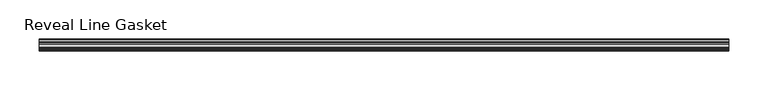
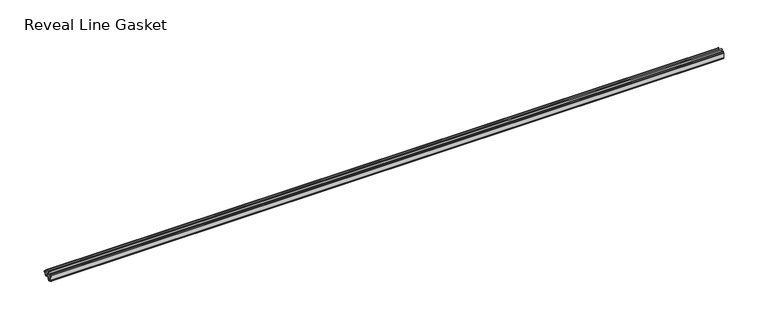
"""IFC4 building model written with IfcOpenShell, lengths in millimetres: furniture geometry, Reveal Line Gasket."""

from ifc_helpers import new_model, si_unit, point, frame, frame_2d, origin, place, context, project, spatial, polyline, circle_curve, trimmed, segment, composite_curve, outline, extrude, source, transform, mapped, element, save


def reveal_line_gasket_686965aa(model_context):
    return source(origin(), model_context, "Body", "SweptSolid", [
        extrude(outline(composite_curve([segment(polyline([(-7.6326998, 1603.2), (-7.4091917, 1604.1554927), (-6.8813059, 1605.0884684)]), True, "CONTINUOUS"), segment(trimmed(circle_curve(frame_2d((-6.5243141, 1604.8864793)), 0.4101739), [point((-6.8813059, 1605.0884684))], [point((-6.1246704, 1604.7941347))], False, "CARTESIAN"), True, "CONTINUOUS"), segment(polyline([(-6.1246704, 1604.7941347), (-6.3626997, 1603.0979086), (-6.3626997, 1601.0654527)]), True, "CONTINUOUS"), segment(trimmed(circle_curve(frame_2d((-5.6959605, 1601.4819258)), 0.786124), [point((-6.3626997, 1601.0654527))], [point((-5.0926996, 1600.977875))], True, "CARTESIAN"), True, "CONTINUOUS"), segment(polyline([(-5.0926996, 1600.977875), (-0.7492996, 1600.977875), (-3.7293824, 1606.1395295)]), True, "CONTINUOUS"), segment(trimmed(circle_curve(frame_2d((-3.3132479, 1606.2049761)), 0.4212495), [point((-3.7293824, 1606.1395295))], [point((-3.0485022, 1606.5326358))], False, "CARTESIAN"), True, "CONTINUOUS"), segment(polyline([(-3.0485022, 1606.5326358), (0.5742594, 1600.977875), (4.8262978, 1600.977875), (3.1660374, 1603.8535297)]), True, "CONTINUOUS"), segment(trimmed(circle_curve(frame_2d((3.5978728, 1603.9118855)), 0.4357605), [point((3.1660374, 1603.8535297))], [point((3.864328, 1604.2566881))], False, "CARTESIAN"), True, "CONTINUOUS"), segment(polyline([(3.864328, 1604.2566881), (6.1944059, 1600.977875), (7.6326998, 1600.977875), (7.6326998, 1599.422125), (6.1944059, 1599.422125), (3.864328, 1596.1433119)]), True, "CONTINUOUS"), segment(trimmed(circle_curve(frame_2d((3.5978728, 1596.4881145)), 0.4357605), [point((3.864328, 1596.1433119))], [point((3.1660374, 1596.5464703))], False, "CARTESIAN"), True, "CONTINUOUS"), segment(polyline([(3.1660374, 1596.5464703), (4.8262978, 1599.422125), (0.5742594, 1599.422125), (-3.0485022, 1593.8673642)]), True, "CONTINUOUS"), segment(trimmed(circle_curve(frame_2d((-3.3132479, 1594.1950239)), 0.4212495), [point((-3.0485022, 1593.8673642))], [point((-3.7293824, 1594.2604705))], False, "CARTESIAN"), True, "CONTINUOUS"), segment(polyline([(-3.7293824, 1594.2604705), (-0.7492996, 1599.422125), (-5.0926996, 1599.422125)]), True, "CONTINUOUS"), segment(trimmed(circle_curve(frame_2d((-5.6959605, 1598.9180742)), 0.786124), [point((-5.0926996, 1599.422125))], [point((-6.3626997, 1599.3345473))], True, "CARTESIAN"), True, "CONTINUOUS"), segment(polyline([(-6.3626997, 1599.3345473), (-6.3626997, 1597.3020914), (-6.1246704, 1595.6058653)]), True, "CONTINUOUS"), segment(trimmed(circle_curve(frame_2d((-6.5243141, 1595.5135207)), 0.4101739), [point((-6.1246704, 1595.6058653))], [point((-6.8813059, 1595.3115316))], False, "CARTESIAN"), True, "CONTINUOUS"), segment(polyline([(-6.8813059, 1595.3115316), (-7.4091917, 1596.2445073), (-7.6326998, 1597.2), (-7.6326998, 1603.2)]), True, "CONTINUOUS")], self_intersect=False)), frame((-439.1239898, 0.0, 0.0), z_axis=(1.0, 0.0, 0.0), x_axis=(0.0, 1.0, 0.0)), (0.0, 0.0, 1.0), 878.2479795),
    ])


if __name__ == "__main__":
    model = new_model("IFC4")
    model_context = context("Model", 3, world=origin())
    ifc_project = project(units=[si_unit("LENGTHUNIT", "METRE", prefix="MILLI")], contexts=[model_context])
    site = spatial("IfcSite", under=ifc_project)
    building = spatial("IfcBuilding", under=site)
    placement = place(None, origin())
    reveal_line_gasket_shape = reveal_line_gasket_686965aa(model_context)
    element("IfcFurniture", 1, ObjectType="Reveal Line Gasket", at=placement, inside=building, context=model_context, shape_type="MappedRepresentation", body=[
        mapped(reveal_line_gasket_shape, transform((0.0, 0.0, 0.0), x_axis=(1.0, 0.0, 0.0), y_axis=(0.0, 1.0, 0.0), z_axis=(0.0, 0.0, 1.0))),
    ])
    save(model, "model.ifc")
